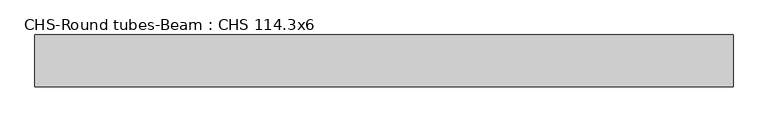
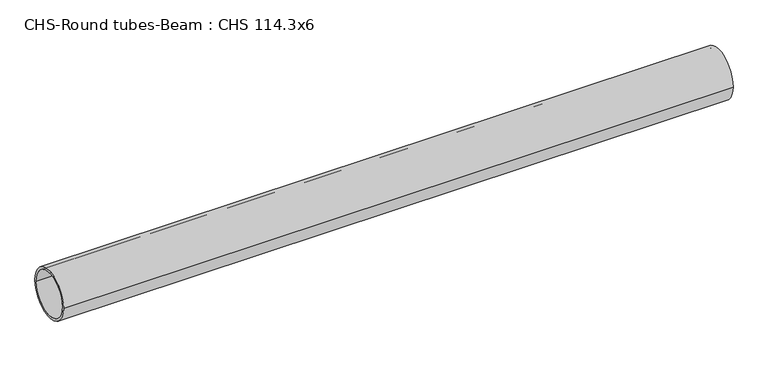
"""IFC4 building model written with IfcOpenShell, lengths in millimetres: beam geometry, CHS-Round tubes-Beam : CHS 114.3x6."""

from ifc_helpers import new_model, si_unit, point, frame, origin, origin_2d, place, context, project, spatial, circle_curve, trimmed, segment, composite_curve, outline, extrude, source, transform, mapped, element, save


def chs_round_tubes_beam_chs_114_3x6_2df16eb8(model_context):
    return source(origin(), model_context, "Body", "SweptSolid", [
        extrude(outline(composite_curve([segment(trimmed(circle_curve(origin_2d(), 57.15), [point((57.15, 0.0))], [point((-57.15, 0.0))], False, "CARTESIAN"), True, "CONTINUOUS"), segment(trimmed(circle_curve(origin_2d(), 57.15), [point((-57.15, 0.0))], [point((57.15, 0.0))], False, "CARTESIAN"), True, "CONTINUOUS")], self_intersect=False), holes=[composite_curve([segment(trimmed(circle_curve(origin_2d(), 51.15), [point((51.15, 0.0))], [point((-51.15, 0.0))], True, "CARTESIAN"), True, "CONTINUOUS"), segment(trimmed(circle_curve(origin_2d(), 51.15), [point((-51.15, 0.0))], [point((51.15, 0.0))], True, "CARTESIAN"), True, "CONTINUOUS")], self_intersect=False)]), frame((-759.6200074, 0.0, 0.0), z_axis=(1.0, 0.0, 0.0), x_axis=(0.0, 1.0, 0.0)), (0.0, 0.0, 1.0), 1536.2941705),
    ])


if __name__ == "__main__":
    model = new_model("IFC4")
    model_context = context("Model", 3, world=origin())
    ifc_project = project(units=[si_unit("LENGTHUNIT", "METRE", prefix="MILLI")], contexts=[model_context])
    site = spatial("IfcSite", under=ifc_project)
    building = spatial("IfcBuilding", under=site)
    placement = place(None, origin())
    chs_round_tubes_beam_chs_114_3x6_shape = chs_round_tubes_beam_chs_114_3x6_2df16eb8(model_context)
    element("IfcBeam", 1, ObjectType="CHS-Round tubes-Beam : CHS 114.3x6", at=placement, inside=building, context=model_context, shape_type="MappedRepresentation", body=[
        mapped(chs_round_tubes_beam_chs_114_3x6_shape, transform((0.0, 0.0, 0.0), x_axis=(1.0, 0.0, 0.0), y_axis=(0.0, 1.0, 0.0), z_axis=(0.0, 0.0, 1.0))),
    ])
    save(model, "model.ifc")
